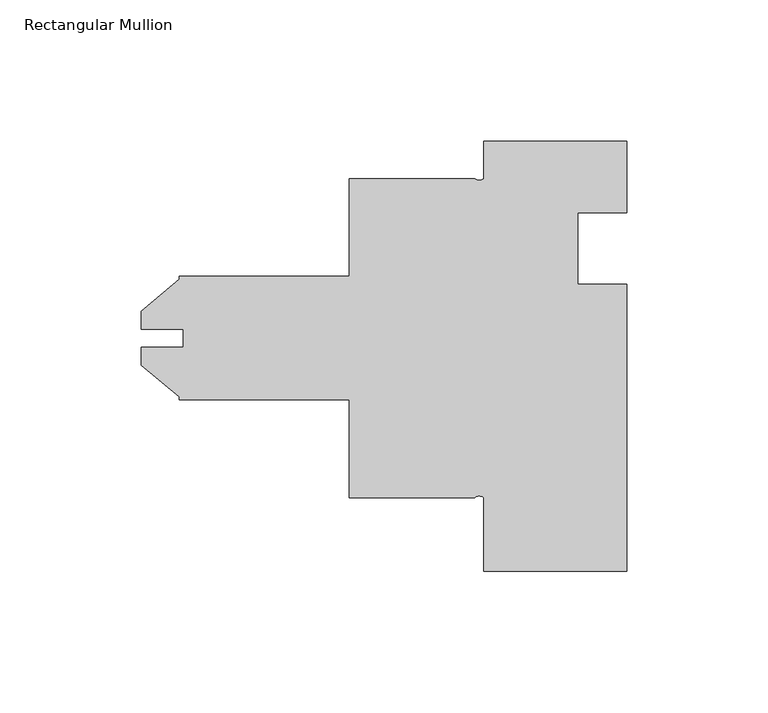
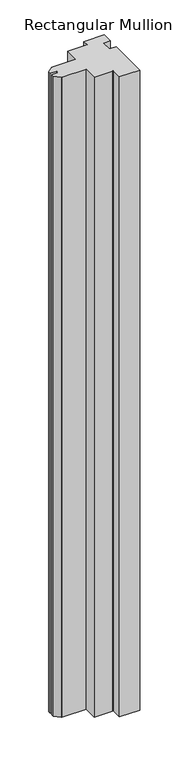
"""IFC4 building model written with IfcOpenShell, lengths in millimetres: member geometry, Rectangular Mullion."""

import ifcopenshell
import ifcopenshell.guid

model = None  # the IFC model being written
_history = None  # IfcOwnerHistory: only IFC2X3 demands one
_inside = {}  # id of a spatial element -> (the spatial element, [elements in it])
_under = {}  # id of a project, library or spatial element -> (it, [spatial elements below it])
_declared = {}  # id of a project -> (the project, [libraries it declares])
_typed = {}  # id of a type object -> (the type object, [elements of that type])
_made_of = {}  # id of a material, layer set ... -> (it, [elements and type objects made of it])


def new_model(schema):
    """Start an empty IFC model of exactly this schema.

    Asked for "IFC4X3", IfcOpenShell would pick the latest addendum, in which some entities
    have other attributes; the version numbers below select the first issue.
    IFC2X3 requires an IfcOwnerHistory on every rooted entity: one is made here for all.
    """
    global model, _history
    if schema == "IFC4X3":
        model = ifcopenshell.file(schema_version=(4, 3, 0, 0))
    else:
        model = ifcopenshell.file(schema=schema)
    _inside.clear()
    _under.clear()
    _declared.clear()
    _typed.clear()
    _made_of.clear()
    _history = None
    if model.schema == "IFC2X3":
        org = make("IfcOrganization", Name="unknown")
        user = make(
            "IfcPersonAndOrganization",
            ThePerson=make("IfcPerson", FamilyName="unknown"),
            TheOrganization=org,
        )
        app = make(
            "IfcApplication",
            ApplicationDeveloper=org,
            Version="unknown",
            ApplicationFullName="unknown",
            ApplicationIdentifier="unknown",
        )
        _history = make(
            "IfcOwnerHistory",
            OwningUser=user,
            OwningApplication=app,
            ChangeAction="ADDED",
            CreationDate=0,
        )
    return model


def make(cls, **values):
    """One entity of the class cls with the attributes given. An attribute that is None is left unset."""
    return model.create_entity(
        cls, **{name: value for name, value in values.items() if value is not None}
    )


def rooted(cls, **values):
    """An entity with a GlobalId (a new one), such as an element, a storey or a relation."""
    return make(cls, GlobalId=ifcopenshell.guid.new(), OwnerHistory=_history, **values)


def si_unit(unit_type, name, prefix=None):
    """IfcSIUnit, for example si_unit("LENGTHUNIT", "METRE", prefix="MILLI")."""
    return make("IfcSIUnit", UnitType=unit_type, Prefix=prefix, Name=name)


def assignment(units):
    """IfcUnitAssignment: the units of a project."""
    return None if units is None else make("IfcUnitAssignment", Units=units)


def point(xyz):
    """IfcCartesianPoint."""
    return None if xyz is None else make("IfcCartesianPoint", Coordinates=xyz)


def direction(xyz):
    """IfcDirection."""
    return None if xyz is None else make("IfcDirection", DirectionRatios=xyz)


def frame(location, z_axis=None, x_axis=None):
    """IfcAxis2Placement3D, a coordinate frame: its origin and axes. An axis left out is left unset."""
    return make(
        "IfcAxis2Placement3D",
        Location=point(location),
        Axis=direction(z_axis),
        RefDirection=direction(x_axis),
    )


def frame_2d(location, x_axis=None):
    """IfcAxis2Placement2D, a coordinate frame in the plane: its origin and x axis."""
    return make(
        "IfcAxis2Placement2D", Location=point(location), RefDirection=direction(x_axis)
    )


def origin():
    """The frame at (0, 0, 0) with its axes left unset."""
    return frame((0.0, 0.0, 0.0))


def place(relative_to, where):
    """IfcLocalPlacement: puts the frame where relative to a parent placement (None: the world)."""
    return make(
        "IfcLocalPlacement", PlacementRelTo=relative_to, RelativePlacement=where
    )


def context(
    kind, dimensions, precision=None, world=None, true_north=None, identifier=None
):
    """IfcGeometricRepresentationContext, for example the 3D "Model" context."""
    return make(
        "IfcGeometricRepresentationContext",
        ContextIdentifier=identifier,
        ContextType=kind,
        CoordinateSpaceDimension=dimensions,
        Precision=precision,
        WorldCoordinateSystem=world,
        TrueNorth=true_north,
    )


def project(units=None, contexts=None):
    """IfcProject with its units and contexts."""
    return rooted(
        "IfcProject",
        Name="project",
        RepresentationContexts=contexts,
        UnitsInContext=assignment(units),
    )


def spatial(cls, under=None, at=None, **own):
    """A site, building, storey or space (cls), placed at a placement, below another one or the project."""
    s = rooted(cls, ObjectPlacement=at, **own)
    if under is not None:
        _under.setdefault(under.id(), (under, []))[1].append(s)
    return s


def polyline(points):
    """IfcPolyline through the points."""
    return make("IfcPolyline", Points=[point(p) for p in points])


def circle_curve(where, radius):
    """IfcCircle in the frame where."""
    return make("IfcCircle", Position=where, Radius=radius)


def trimmed(basis, trim1, trim2, sense, master):
    """IfcTrimmedCurve: the piece of a basis curve between two trims."""
    return make(
        "IfcTrimmedCurve",
        BasisCurve=basis,
        Trim1=trim1,
        Trim2=trim2,
        SenseAgreement=sense,
        MasterRepresentation=master,
    )


def segment(curve, same_sense, transition):
    """IfcCompositeCurveSegment."""
    return make(
        "IfcCompositeCurveSegment",
        Transition=transition,
        SameSense=same_sense,
        ParentCurve=curve,
    )


def composite_curve(segments, self_intersect=None):
    """IfcCompositeCurve: segments joined end to end."""
    return make("IfcCompositeCurve", Segments=segments, SelfIntersect=self_intersect)


def outline(outer, holes=None, kind="AREA"):
    """IfcArbitraryClosedProfileDef: a profile drawn as a closed curve; with holes, ...WithVoids."""
    if holes is None:
        return make("IfcArbitraryClosedProfileDef", ProfileType=kind, OuterCurve=outer)
    return make(
        "IfcArbitraryProfileDefWithVoids",
        ProfileType=kind,
        OuterCurve=outer,
        InnerCurves=holes,
    )


def extrude(swept, where, along, depth):
    """IfcExtrudedAreaSolid: the profile swept, set in the frame where, extruded along a direction by depth."""
    return make(
        "IfcExtrudedAreaSolid",
        SweptArea=swept,
        Position=where,
        ExtrudedDirection=direction(along),
        Depth=depth,
    )


def shape(context_of_items, identifier, shape_type, items):
    """IfcShapeRepresentation: the items that make up one representation, for example the "Body"."""
    return make(
        "IfcShapeRepresentation",
        ContextOfItems=context_of_items,
        RepresentationIdentifier=identifier,
        RepresentationType=shape_type,
        Items=items,
    )


def source(mapping_origin, context_of_items, identifier, shape_type, items):
    """IfcRepresentationMap: a shape defined once, which mapped items show again and again."""
    return make(
        "IfcRepresentationMap",
        MappingOrigin=mapping_origin,
        MappedRepresentation=shape(context_of_items, identifier, shape_type, items),
    )


def transform(
    local_origin,
    x_axis=None,
    y_axis=None,
    z_axis=None,
    scale=None,
    scale2=None,
    scale3=None,
    uniform=True,
):
    """IfcCartesianTransformationOperator3D, or its non-uniform kind. x_axis, y_axis, z_axis: its Axis1, 2, 3."""
    if uniform:
        return make(
            "IfcCartesianTransformationOperator3D",
            Axis1=direction(x_axis),
            Axis2=direction(y_axis),
            LocalOrigin=point(local_origin),
            Scale=scale,
            Axis3=direction(z_axis),
        )
    return make(
        "IfcCartesianTransformationOperator3DnonUniform",
        Axis1=direction(x_axis),
        Axis2=direction(y_axis),
        LocalOrigin=point(local_origin),
        Scale=scale,
        Axis3=direction(z_axis),
        Scale2=scale2,
        Scale3=scale3,
    )


def mapped(mapping_source, mapping_target):
    """IfcMappedItem: shows the shape of a source again, moved by a transform."""
    return make(
        "IfcMappedItem", MappingSource=mapping_source, MappingTarget=mapping_target
    )


def made_of(thing, what):
    """Note that an element or type object is made of a material, layer set ...; save() writes the relation."""
    if what is not None:
        _made_of.setdefault(what.id(), (what, []))[1].append(thing)
    return thing


def element(
    cls,
    number,
    at=None,
    inside=None,
    cuts=None,
    type_object=None,
    material=None,
    context=None,
    identifier="Body",
    shape_type=None,
    held_by="IfcProductDefinitionShape",
    body=None,
    shapes=None,
    **own,
):
    """One element of the class cls, such as IfcWall. Its Tag is "e" and its number.

    at: its placement. inside: the storey or other place that contains it. cuts: it is an
    opening in that element (IfcRelVoidsElement). A single representation is given by context,
    identifier, shape_type and body (its items); several are given by shapes. held_by: the class
    of the entity that holds the representations. save() writes the other relations.
    """
    e = rooted(cls, Tag="e%d" % number, ObjectPlacement=at, **own)
    if body is not None:
        shapes = [shape(context, identifier, shape_type, body)]
    if shapes is not None:
        e.Representation = make(held_by, Representations=shapes)
    if inside is not None:
        _inside.setdefault(inside.id(), (inside, []))[1].append(e)
    if cuts is not None:
        rooted(
            "IfcRelVoidsElement", RelatingBuildingElement=cuts, RelatedOpeningElement=e
        )
    if type_object is not None:
        _typed.setdefault(type_object.id(), (type_object, []))[1].append(e)
    return made_of(e, material)


def aggregate(whole, parts):
    """IfcRelAggregates: a whole, such as a stair, and the parts it consists of."""
    return rooted("IfcRelAggregates", RelatingObject=whole, RelatedObjects=parts)


def save(model, path):
    """Write the relations noted so far, then the file.

    IfcRelAggregates (storeys below a building ...), IfcRelContainedInSpatialStructure (elements
    in a storey), IfcRelDefinesByType, IfcRelAssociatesMaterial and IfcRelDeclares: one each for
    every whole, place, type object, material and project.
    """
    for whole, parts in _under.values():
        aggregate(whole, parts)
    for where, things in _inside.values():
        rooted(
            "IfcRelContainedInSpatialStructure",
            RelatedElements=things,
            RelatingStructure=where,
        )
    for kind, things in _typed.values():
        rooted("IfcRelDefinesByType", RelatedObjects=things, RelatingType=kind)
    for what, things in _made_of.values():
        rooted("IfcRelAssociatesMaterial", RelatedObjects=things, RelatingMaterial=what)
    for by, libraries in _declared.values():
        rooted("IfcRelDeclares", RelatingContext=by, RelatedDefinitions=libraries)
    model.write(path)


def rectangular_mullion_220b1de0(model_context):
    return source(origin(), model_context, "Body", "SweptSolid", [
        extrude(outline(composite_curve([segment(polyline([(50.8, -152.4), (0.0, -152.4), (0.0, -126.3904)]), True, "CONTINUOUS"), segment(trimmed(circle_curve(frame_2d((-1.5875, -128.1526573)), 2.3718573), [point((0.0, -126.3904))], [point((-3.175, -126.3904))], True, "CARTESIAN"), True, "CONTINUOUS"), segment(polyline([(-3.175, -126.3904), (-47.625, -126.3904), (-47.625, -91.7448), (-107.95, -91.7448), (-107.95, -90.6782933), (-121.412, -79.382334), (-121.412, -73.0120621), (-106.3752, -73.0120621), (-106.3752, -66.6879379), (-121.412, -66.6879379), (-121.412, -60.317666), (-107.95, -49.0217067), (-107.95, -47.9552), (-47.625, -47.9552), (-47.625, -13.3096), (-3.175, -13.3096)]), True, "CONTINUOUS"), segment(trimmed(circle_curve(frame_2d((-1.5875, -11.5473427)), 2.3718573), [point((-3.175, -13.3096))], [point((0.0, -13.3096))], True, "CARTESIAN"), True, "CONTINUOUS"), segment(polyline([(0.0, -13.3096), (0.0, 0.0), (50.8, 0.0), (50.8, -25.4), (33.3502, -25.4), (33.3502, -50.8), (50.8, -50.8), (50.8, -152.4)]), True, "CONTINUOUS")], self_intersect=False)), frame((0.0, 0.0, -1676.4), z_axis=(0.0, 0.0, 1.0), x_axis=(1.0, 0.0, 0.0)), (0.0, 0.0, 1.0), 1676.4),
    ])


if __name__ == "__main__":
    model = new_model("IFC4")
    model_context = context("Model", 3, world=origin())
    ifc_project = project(units=[si_unit("LENGTHUNIT", "METRE", prefix="MILLI")], contexts=[model_context])
    site = spatial("IfcSite", under=ifc_project)
    building = spatial("IfcBuilding", under=site)
    placement = place(None, origin())
    rectangular_mullion_shape = rectangular_mullion_220b1de0(model_context)
    element("IfcMember", 1, ObjectType="Rectangular Mullion", at=placement, inside=building, context=model_context, shape_type="MappedRepresentation", body=[
        mapped(rectangular_mullion_shape, transform((0.0, 0.0, 0.0), x_axis=(1.0, 0.0, 0.0), y_axis=(0.0, 1.0, 0.0), z_axis=(0.0, 0.0, 1.0))),
    ])
    save(model, "model.ifc")
